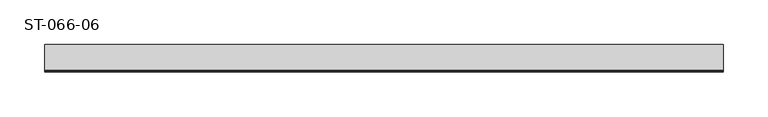
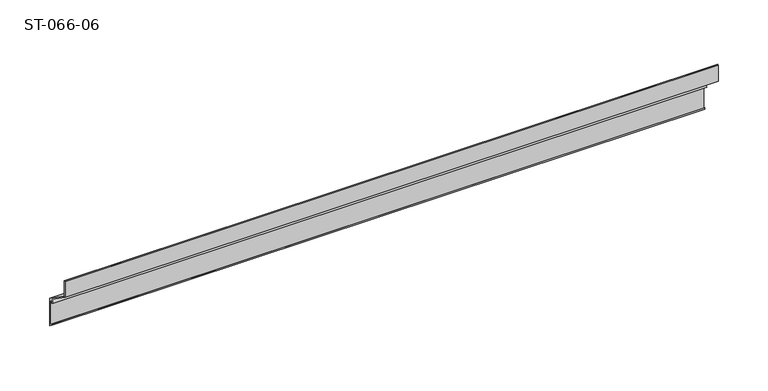
"""IFC4 building model written with IfcOpenShell, lengths in millimetres: plate geometry, ST-066-06."""

from ifc_helpers import new_model, si_unit, frame, origin, place, context, project, spatial, polyline, outline, extrude, source, transform, mapped, element, save


def st_066_06_2cc4e9a9(model_context):
    return source(origin(), model_context, "Body", "SweptSolid", [
        extrude(outline(polyline([(26.6900039, -43.5146264), (23.3790144, -41.6030258), (25.4893427, -37.9478299), (0.0, -20.1), (0.0, -0.7), (0.9441459, -0.2085088), (1.7235764, -0.7542719), (1.4, -2.5416698), (1.4, -19.3712061), (31.0, -40.0973493), (31.0, -73.6499385), (27.0, -70.8491084), (27.0, -69.3841789), (29.6, -71.2047185), (29.6, -44.6681542), (28.3532193, -41.9944243), (27.9841575, -40.6170671), (26.0523059, -41.1347052), (26.6900039, -43.5146264)])), frame((-380.0, 0.0, 0.0), z_axis=(1.0, 0.0, 0.0), x_axis=(0.0, 1.0, 0.0)), (0.0, 0.0, 1.0), 759.7321324),
    ])


if __name__ == "__main__":
    model = new_model("IFC4")
    model_context = context("Model", 3, world=origin())
    ifc_project = project(units=[si_unit("LENGTHUNIT", "METRE", prefix="MILLI")], contexts=[model_context])
    site = spatial("IfcSite", under=ifc_project)
    building = spatial("IfcBuilding", under=site)
    placement = place(None, origin())
    st_066_06_shape = st_066_06_2cc4e9a9(model_context)
    element("IfcPlate", 1, ObjectType="ST-066-06", at=placement, inside=building, context=model_context, shape_type="MappedRepresentation", body=[
        mapped(st_066_06_shape, transform((0.0, 0.0, 0.0), x_axis=(1.0, 0.0, 0.0), y_axis=(0.0, 1.0, 0.0), z_axis=(0.0, 0.0, 1.0))),
    ])
    save(model, "model.ifc")
